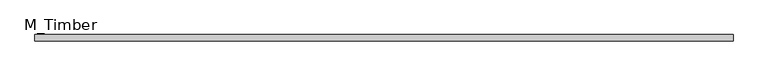
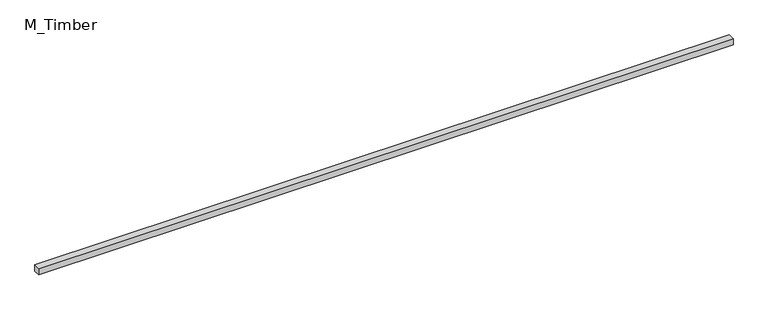
"""IFC4 building model written with IfcOpenShell, lengths in millimetres: beam geometry, M_Timber."""

import ifcopenshell
import ifcopenshell.guid

model = None  # the IFC model being written
_history = None  # IfcOwnerHistory: only IFC2X3 demands one
_inside = {}  # id of a spatial element -> (the spatial element, [elements in it])
_under = {}  # id of a project, library or spatial element -> (it, [spatial elements below it])
_declared = {}  # id of a project -> (the project, [libraries it declares])
_typed = {}  # id of a type object -> (the type object, [elements of that type])
_made_of = {}  # id of a material, layer set ... -> (it, [elements and type objects made of it])


def new_model(schema):
    """Start an empty IFC model of exactly this schema.

    Asked for "IFC4X3", IfcOpenShell would pick the latest addendum, in which some entities
    have other attributes; the version numbers below select the first issue.
    IFC2X3 requires an IfcOwnerHistory on every rooted entity: one is made here for all.
    """
    global model, _history
    if schema == "IFC4X3":
        model = ifcopenshell.file(schema_version=(4, 3, 0, 0))
    else:
        model = ifcopenshell.file(schema=schema)
    _inside.clear()
    _under.clear()
    _declared.clear()
    _typed.clear()
    _made_of.clear()
    _history = None
    if model.schema == "IFC2X3":
        org = make("IfcOrganization", Name="unknown")
        user = make(
            "IfcPersonAndOrganization",
            ThePerson=make("IfcPerson", FamilyName="unknown"),
            TheOrganization=org,
        )
        app = make(
            "IfcApplication",
            ApplicationDeveloper=org,
            Version="unknown",
            ApplicationFullName="unknown",
            ApplicationIdentifier="unknown",
        )
        _history = make(
            "IfcOwnerHistory",
            OwningUser=user,
            OwningApplication=app,
            ChangeAction="ADDED",
            CreationDate=0,
        )
    return model


def make(cls, **values):
    """One entity of the class cls with the attributes given. An attribute that is None is left unset."""
    return model.create_entity(
        cls, **{name: value for name, value in values.items() if value is not None}
    )


def rooted(cls, **values):
    """An entity with a GlobalId (a new one), such as an element, a storey or a relation."""
    return make(cls, GlobalId=ifcopenshell.guid.new(), OwnerHistory=_history, **values)


def si_unit(unit_type, name, prefix=None):
    """IfcSIUnit, for example si_unit("LENGTHUNIT", "METRE", prefix="MILLI")."""
    return make("IfcSIUnit", UnitType=unit_type, Prefix=prefix, Name=name)


def assignment(units):
    """IfcUnitAssignment: the units of a project."""
    return None if units is None else make("IfcUnitAssignment", Units=units)


def point(xyz):
    """IfcCartesianPoint."""
    return None if xyz is None else make("IfcCartesianPoint", Coordinates=xyz)


def direction(xyz):
    """IfcDirection."""
    return None if xyz is None else make("IfcDirection", DirectionRatios=xyz)


def frame(location, z_axis=None, x_axis=None):
    """IfcAxis2Placement3D, a coordinate frame: its origin and axes. An axis left out is left unset."""
    return make(
        "IfcAxis2Placement3D",
        Location=point(location),
        Axis=direction(z_axis),
        RefDirection=direction(x_axis),
    )


def origin():
    """The frame at (0, 0, 0) with its axes left unset."""
    return frame((0.0, 0.0, 0.0))


def place(relative_to, where):
    """IfcLocalPlacement: puts the frame where relative to a parent placement (None: the world)."""
    return make(
        "IfcLocalPlacement", PlacementRelTo=relative_to, RelativePlacement=where
    )


def context(
    kind, dimensions, precision=None, world=None, true_north=None, identifier=None
):
    """IfcGeometricRepresentationContext, for example the 3D "Model" context."""
    return make(
        "IfcGeometricRepresentationContext",
        ContextIdentifier=identifier,
        ContextType=kind,
        CoordinateSpaceDimension=dimensions,
        Precision=precision,
        WorldCoordinateSystem=world,
        TrueNorth=true_north,
    )


def project(units=None, contexts=None):
    """IfcProject with its units and contexts."""
    return rooted(
        "IfcProject",
        Name="project",
        RepresentationContexts=contexts,
        UnitsInContext=assignment(units),
    )


def spatial(cls, under=None, at=None, **own):
    """A site, building, storey or space (cls), placed at a placement, below another one or the project."""
    s = rooted(cls, ObjectPlacement=at, **own)
    if under is not None:
        _under.setdefault(under.id(), (under, []))[1].append(s)
    return s


def polyline(points):
    """IfcPolyline through the points."""
    return make("IfcPolyline", Points=[point(p) for p in points])


def outline(outer, holes=None, kind="AREA"):
    """IfcArbitraryClosedProfileDef: a profile drawn as a closed curve; with holes, ...WithVoids."""
    if holes is None:
        return make("IfcArbitraryClosedProfileDef", ProfileType=kind, OuterCurve=outer)
    return make(
        "IfcArbitraryProfileDefWithVoids",
        ProfileType=kind,
        OuterCurve=outer,
        InnerCurves=holes,
    )


def extrude(swept, where, along, depth):
    """IfcExtrudedAreaSolid: the profile swept, set in the frame where, extruded along a direction by depth."""
    return make(
        "IfcExtrudedAreaSolid",
        SweptArea=swept,
        Position=where,
        ExtrudedDirection=direction(along),
        Depth=depth,
    )


def shape(context_of_items, identifier, shape_type, items):
    """IfcShapeRepresentation: the items that make up one representation, for example the "Body"."""
    return make(
        "IfcShapeRepresentation",
        ContextOfItems=context_of_items,
        RepresentationIdentifier=identifier,
        RepresentationType=shape_type,
        Items=items,
    )


def source(mapping_origin, context_of_items, identifier, shape_type, items):
    """IfcRepresentationMap: a shape defined once, which mapped items show again and again."""
    return make(
        "IfcRepresentationMap",
        MappingOrigin=mapping_origin,
        MappedRepresentation=shape(context_of_items, identifier, shape_type, items),
    )


def transform(
    local_origin,
    x_axis=None,
    y_axis=None,
    z_axis=None,
    scale=None,
    scale2=None,
    scale3=None,
    uniform=True,
):
    """IfcCartesianTransformationOperator3D, or its non-uniform kind. x_axis, y_axis, z_axis: its Axis1, 2, 3."""
    if uniform:
        return make(
            "IfcCartesianTransformationOperator3D",
            Axis1=direction(x_axis),
            Axis2=direction(y_axis),
            LocalOrigin=point(local_origin),
            Scale=scale,
            Axis3=direction(z_axis),
        )
    return make(
        "IfcCartesianTransformationOperator3DnonUniform",
        Axis1=direction(x_axis),
        Axis2=direction(y_axis),
        LocalOrigin=point(local_origin),
        Scale=scale,
        Axis3=direction(z_axis),
        Scale2=scale2,
        Scale3=scale3,
    )


def mapped(mapping_source, mapping_target):
    """IfcMappedItem: shows the shape of a source again, moved by a transform."""
    return make(
        "IfcMappedItem", MappingSource=mapping_source, MappingTarget=mapping_target
    )


def made_of(thing, what):
    """Note that an element or type object is made of a material, layer set ...; save() writes the relation."""
    if what is not None:
        _made_of.setdefault(what.id(), (what, []))[1].append(thing)
    return thing


def element(
    cls,
    number,
    at=None,
    inside=None,
    cuts=None,
    type_object=None,
    material=None,
    context=None,
    identifier="Body",
    shape_type=None,
    held_by="IfcProductDefinitionShape",
    body=None,
    shapes=None,
    **own,
):
    """One element of the class cls, such as IfcWall. Its Tag is "e" and its number.

    at: its placement. inside: the storey or other place that contains it. cuts: it is an
    opening in that element (IfcRelVoidsElement). A single representation is given by context,
    identifier, shape_type and body (its items); several are given by shapes. held_by: the class
    of the entity that holds the representations. save() writes the other relations.
    """
    e = rooted(cls, Tag="e%d" % number, ObjectPlacement=at, **own)
    if body is not None:
        shapes = [shape(context, identifier, shape_type, body)]
    if shapes is not None:
        e.Representation = make(held_by, Representations=shapes)
    if inside is not None:
        _inside.setdefault(inside.id(), (inside, []))[1].append(e)
    if cuts is not None:
        rooted(
            "IfcRelVoidsElement", RelatingBuildingElement=cuts, RelatedOpeningElement=e
        )
    if type_object is not None:
        _typed.setdefault(type_object.id(), (type_object, []))[1].append(e)
    return made_of(e, material)


def aggregate(whole, parts):
    """IfcRelAggregates: a whole, such as a stair, and the parts it consists of."""
    return rooted("IfcRelAggregates", RelatingObject=whole, RelatedObjects=parts)


def save(model, path):
    """Write the relations noted so far, then the file.

    IfcRelAggregates (storeys below a building ...), IfcRelContainedInSpatialStructure (elements
    in a storey), IfcRelDefinesByType, IfcRelAssociatesMaterial and IfcRelDeclares: one each for
    every whole, place, type object, material and project.
    """
    for whole, parts in _under.values():
        aggregate(whole, parts)
    for where, things in _inside.values():
        rooted(
            "IfcRelContainedInSpatialStructure",
            RelatedElements=things,
            RelatingStructure=where,
        )
    for kind, things in _typed.values():
        rooted("IfcRelDefinesByType", RelatedObjects=things, RelatingType=kind)
    for what, things in _made_of.values():
        rooted("IfcRelAssociatesMaterial", RelatedObjects=things, RelatingMaterial=what)
    for by, libraries in _declared.values():
        rooted("IfcRelDeclares", RelatingContext=by, RelatedDefinitions=libraries)
    model.write(path)


def m_timber_445b2d7e(model_context):
    return source(origin(), model_context, "Body", "SweptSolid", [
        extrude(outline(polyline([(2122.5637329, 20.0), (2122.5637329, -20.0), (-2122.5637329, -20.0), (-2122.5637329, 20.0), (2122.5637329, 20.0)])), frame((0.0, 0.0, -20.0), z_axis=(0.0, 0.0, 1.0), x_axis=(1.0, 0.0, 0.0)), (0.0, 0.0, 1.0), 40.0),
    ])


if __name__ == "__main__":
    model = new_model("IFC4")
    model_context = context("Model", 3, world=origin())
    ifc_project = project(units=[si_unit("LENGTHUNIT", "METRE", prefix="MILLI")], contexts=[model_context])
    site = spatial("IfcSite", under=ifc_project)
    building = spatial("IfcBuilding", under=site)
    placement = place(None, origin())
    m_timber_shape = m_timber_445b2d7e(model_context)
    element("IfcBeam", 1, ObjectType="M_Timber", at=placement, inside=building, context=model_context, shape_type="MappedRepresentation", body=[
        mapped(m_timber_shape, transform((0.0, 0.0, 0.0), x_axis=(1.0, 0.0, 0.0), y_axis=(0.0, 1.0, 0.0), z_axis=(0.0, 0.0, 1.0))),
    ])
    save(model, "model.ifc")
